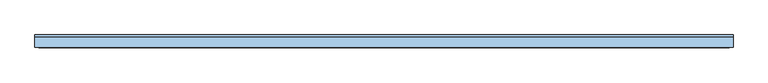
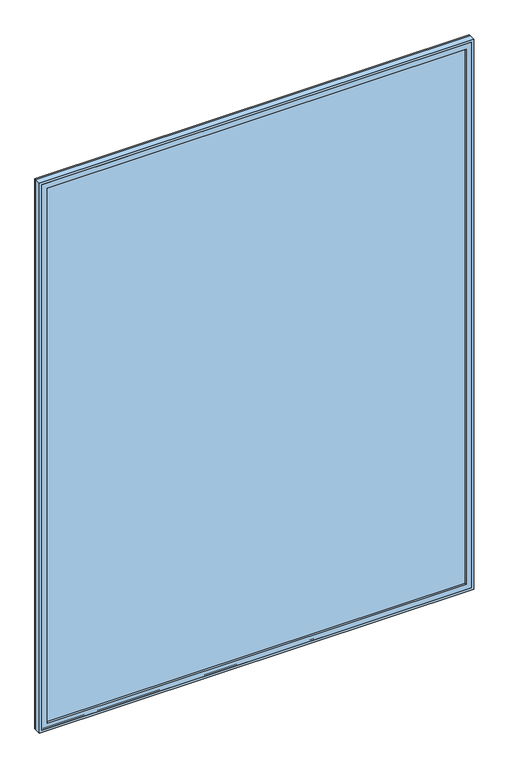
"""IFC4 building model written with IfcOpenShell, lengths in millimetres: window geometry."""

from ifc_helpers import new_model, si_unit, frame, origin, place, context, project, spatial, polyline, outline, extrude, source, transform, mapped, element, save


def window_67df748a(model_context):
    return source(origin(), model_context, "Body", "SweptSolid", [
        extrude(outline(polyline([(1663.7, -41.275), (-1739.9, -41.275), (-1739.9, -28.575), (1663.7, -28.575), (1663.7, -41.275)])), frame((0.0, 0.0, 139.7), z_axis=(0.0, 0.0, 1.0), x_axis=(1.0, 0.0, 0.0)), (0.0, 0.0, 1.0), 4597.4),
        extrude(outline(polyline([(4781.55, -1784.35), (95.25, -1784.35), (95.25, 1708.15), (4781.55, 1708.15), (4781.55, -1784.35)]), holes=[polyline([(4737.1, -1739.9), (4737.1, 1663.7), (139.7, 1663.7), (139.7, -1739.9), (4737.1, -1739.9)])]), frame((0.0, -57.15, 0.0), z_axis=(0.0, 1.0, 0.0), x_axis=(0.0, 0.0, 1.0)), (0.0, 0.0, 1.0), 44.45),
        extrude(outline(polyline([(4800.6, -1803.4), (76.2, -1803.4), (76.2, 1727.2), (4800.6, 1727.2), (4800.6, -1803.4)]), holes=[polyline([(4768.85, -1771.65), (4768.85, 1695.45), (107.95, 1695.45), (107.95, -1771.65), (4768.85, -1771.65)])]), frame((0.0, -57.15, 0.0), z_axis=(0.0, 1.0, 0.0), x_axis=(0.0, 0.0, 1.0)), (0.0, 0.0, 1.0), 50.8),
        extrude(outline(polyline([(4800.6, 1727.2), (4800.6, -1803.4), (76.2, -1803.4), (76.2, 1727.2), (4800.6, 1727.2)]), holes=[polyline([(4781.55, 1708.15), (95.25, 1708.15), (95.25, -1784.35), (4781.55, -1784.35), (4781.55, 1708.15)])]), frame((0.0, -57.15, 0.0), z_axis=(0.0, 1.0, 0.0), x_axis=(0.0, 0.0, 1.0)), (0.0, 0.0, 1.0), 63.5),
    ])


if __name__ == "__main__":
    model = new_model("IFC4")
    model_context = context("Model", 3, world=origin())
    ifc_project = project(units=[si_unit("LENGTHUNIT", "METRE", prefix="MILLI")], contexts=[model_context])
    site = spatial("IfcSite", under=ifc_project)
    building = spatial("IfcBuilding", under=site)
    placement = place(None, origin())
    window_shape = window_67df748a(model_context)
    element("IfcWindow", 1, at=placement, inside=building, context=model_context, shape_type="MappedRepresentation", body=[
        mapped(window_shape, transform((0.0, 0.0, 0.0), x_axis=(1.0, 0.0, 0.0), y_axis=(0.0, 1.0, 0.0), z_axis=(0.0, 0.0, 1.0))),
    ])
    save(model, "model.ifc")
